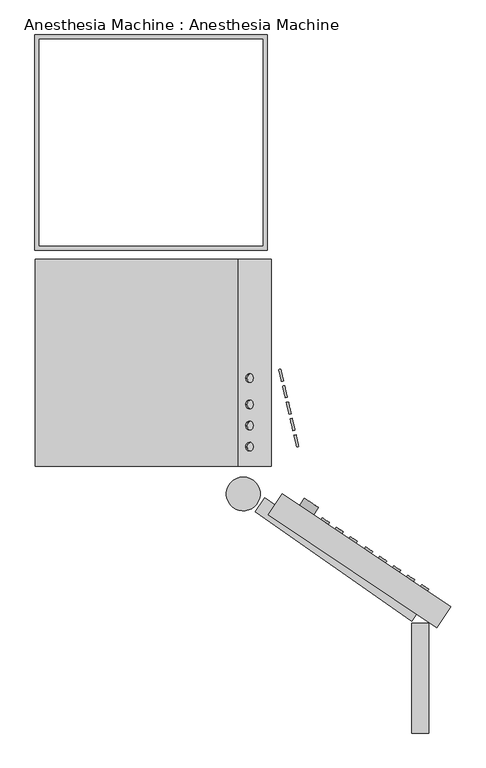
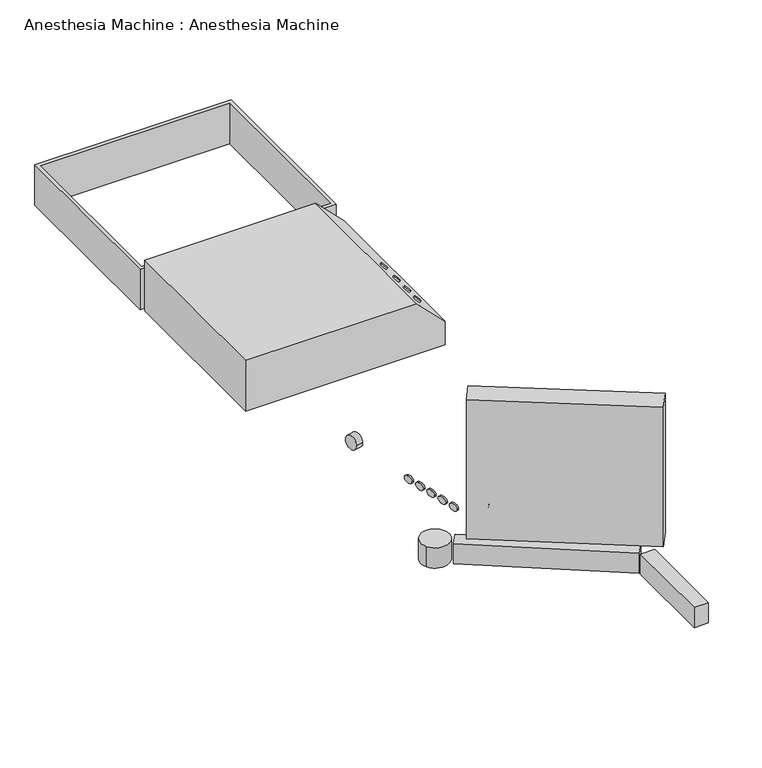
"""IFC4 building model written with IfcOpenShell, lengths in millimetres: proxy geometry, Anesthesia Machine : Anesthesia Machine."""

from ifc_helpers import new_model, si_unit, point, frame, frame_2d, origin, place, context, project, spatial, polyline, circle_curve, ellipse_curve, trimmed, segment, composite_curve, outline, extrude, faceted_brep, source, transform, mapped, element, save
from ifc_brep_helpers import plane_surface, extruded_surface, advanced_brep


def anesthesia_machine_anesthesia_machine_bb3bd52a(model_context):
    return source(origin(), model_context, "Body", "SolidModel", [
        extrude(outline(composite_curve([segment(trimmed(circle_curve(frame_2d((0.0, -6.3500001)), 6.35), [point((0.0, -12.7))], [point((0.0, 0.0))], False, "CARTESIAN"), True, "CONTINUOUS"), segment(trimmed(circle_curve(frame_2d((0.0, -6.3500001)), 6.35), [point((0.0, 0.0))], [point((0.0, -12.7))], False, "CARTESIAN"), True, "CONTINUOUS")], self_intersect=False)), frame((-492.8259, 395.664684, 1410.3143446), z_axis=(0.7071067811865489, 0.0, 0.7071067811865461), x_axis=(0.0, 1.0, 0.0)), (0.0, 0.0, 1.0), 3.175),
        extrude(outline(composite_curve([segment(trimmed(circle_curve(frame_2d((0.0, -6.3500001)), 6.35), [point((0.0, -12.7))], [point((0.0, 0.0))], False, "CARTESIAN"), True, "CONTINUOUS"), segment(trimmed(circle_curve(frame_2d((0.0, -6.3500001)), 6.35), [point((0.0, 0.0))], [point((0.0, -12.7))], False, "CARTESIAN"), True, "CONTINUOUS")], self_intersect=False)), frame((-492.8259, 355.977184, 1410.3143446), z_axis=(0.7071067811865489, 0.0, 0.7071067811865461), x_axis=(0.0, 1.0, 0.0)), (0.0, 0.0, 1.0), 3.175),
        extrude(outline(composite_curve([segment(trimmed(circle_curve(frame_2d((0.0, -6.3500001)), 6.35), [point((0.0, -12.7))], [point((0.0, 0.0))], False, "CARTESIAN"), True, "CONTINUOUS"), segment(trimmed(circle_curve(frame_2d((0.0, -6.3500001)), 6.35), [point((0.0, 0.0))], [point((0.0, -12.7))], False, "CARTESIAN"), True, "CONTINUOUS")], self_intersect=False)), frame((-492.8259, 324.227184, 1410.3143446), z_axis=(0.7071067811865489, 0.0, 0.7071067811865461), x_axis=(0.0, 1.0, 0.0)), (0.0, 0.0, 1.0), 3.175),
        extrude(outline(composite_curve([segment(trimmed(circle_curve(frame_2d((0.0, -6.3500001)), 6.35), [point((0.0, -12.7))], [point((0.0, 0.0))], False, "CARTESIAN"), True, "CONTINUOUS"), segment(trimmed(circle_curve(frame_2d((0.0, -6.3500001)), 6.35), [point((0.0, 0.0))], [point((0.0, -12.7))], False, "CARTESIAN"), True, "CONTINUOUS")], self_intersect=False)), frame((-492.8259, 292.477184, 1410.3143446), z_axis=(0.7071067811865489, 0.0, 0.7071067811865461), x_axis=(0.0, 1.0, 0.0)), (0.0, 0.0, 1.0), 3.175),
        extrude(outline(polyline([(-460.7866052, 588.1268185), (-810.0366052, 588.1268185), (-810.0366052, 911.9768185), (-460.7866052, 911.9768185), (-460.7866052, 588.1268185)]), holes=[polyline([(-803.6866052, 905.6268185), (-803.6866052, 594.4768185), (-467.1366052, 594.4768185), (-467.1366052, 905.6268185), (-803.6866052, 905.6268185)])]), frame((0.0, 0.0, 1320.8), z_axis=(0.0, 0.0, 1.0), x_axis=(1.0, 0.0, 0.0)), (0.0, 0.0, 1.0), 76.2),
        extrude(outline(polyline([(1327.15, -809.7115554), (1327.15, -454.1115554), (1371.6, -454.1115554), (1422.4, -504.9115554), (1422.4, -809.7115554), (1327.15, -809.7115554)])), frame((0.0, 263.4020606, 0.0), z_axis=(0.0, 1.0, 0.0), x_axis=(0.0, 0.0, 1.0)), (0.0, 0.0, 1.0), 311.15),
        advanced_brep(
        [(-440.0573534, 409.2628866, 986.6580249), (-436.0371685, 391.8495524, 986.6580249), (-443.1509784, 408.5486671, 986.6580249), (-439.1307934, 391.1353328, 986.6580249)],
        [
            (0, 1, ellipse_curve(frame((-438.0472609, 400.5562195, 986.6580249), z_axis=(0.9743700647852371, 0.22495105434385682, 0.0), x_axis=(0.22495105434385682, -0.9743700647852371, 0.0)), 8.9356882, 6.35)),
            (1, 0, ellipse_curve(frame((-438.0472609, 400.5562195, 986.6580249), z_axis=(0.9743700647852371, 0.22495105434385682, 0.0), x_axis=(0.22495105434385682, -0.9743700647852371, 0.0)), 8.9356882, 6.35)),
            (2, 3, ellipse_curve(frame((-441.1408859, 399.8419999, 986.6580249), z_axis=(-0.9743700647852371, -0.22495105434385682, 0.0), x_axis=(0.22495105434385682, -0.9743700647852371, 0.0)), 8.9356882, 6.35)),
            (3, 2, ellipse_curve(frame((-441.1408859, 399.8419999, 986.6580249), z_axis=(-0.9743700647852371, -0.22495105434385682, 0.0), x_axis=(0.22495105434385682, -0.9743700647852371, 0.0)), 8.9356882, 6.35)),
            (0, 2),
            (3, 1),
        ],
        [
            plane_surface(frame((-436.0371685, 391.8495524, 986.6580249), z_axis=(0.9743700647852382, 0.22495105434385224, 0.0), x_axis=(0.0, 0.0, -1.0))),
            plane_surface(frame((-439.1307934, 391.1353328, 986.6580249), z_axis=(-0.9743700647852382, -0.22495105434385224, 0.0), x_axis=(0.0, 0.0, 1.0))),
            extruded_surface(trimmed(ellipse_curve(frame((-444.2345109, 399.1277803, 986.6580249), z_axis=(0.9743700647852371, 0.22495105434385682, 0.0), x_axis=(0.22495105434385682, -0.9743700647852371, 0.0)), 8.9356882, 6.35), [point((-446.2446034, 407.8344475, 986.6580249))], [point((-442.2244184, 390.4211132, 986.6580249))], True, "CARTESIAN"), (3.0936249999999745, 0.7142196000000354, 0.0), 3.17500004372426),
            extruded_surface(trimmed(ellipse_curve(frame((-444.2345109, 399.1277803, 986.6580249), z_axis=(0.9743700647852371, 0.22495105434385682, 0.0), x_axis=(0.22495105434385682, -0.9743700647852371, 0.0)), 8.9356882, 6.35), [point((-442.2244184, 390.4211132, 986.6580249))], [point((-446.2446034, 407.8344475, 986.6580249))], True, "CARTESIAN"), (3.0936249999999745, 0.7142196000000354, 0.0), 3.17500004372426),
        ],
        [
            (0, [[1, 2]]),
            (1, [[3, 4]]),
            (2, [[-1, 5, -4, 6]]),
            (3, [[-2, -6, -3, -5]]),
        ],
    ),
        advanced_brep(
        [(-434.3435967, 384.513887, 986.6580249), (-430.3234117, 367.1005528, 986.6580249), (-437.4372216, 383.7996674, 986.6580249), (-433.4170366, 366.3863332, 986.6580249)],
        [
            (0, 1, ellipse_curve(frame((-432.3335042, 375.8072199, 986.6580249), z_axis=(0.9743700647852371, 0.22495105434385682, 0.0), x_axis=(0.22495105434385682, -0.9743700647852371, 0.0)), 8.9356882, 6.35)),
            (1, 0, ellipse_curve(frame((-432.3335042, 375.8072199, 986.6580249), z_axis=(0.9743700647852371, 0.22495105434385682, 0.0), x_axis=(0.22495105434385682, -0.9743700647852371, 0.0)), 8.9356882, 6.35)),
            (2, 3, ellipse_curve(frame((-435.4271291, 375.0930003, 986.6580249), z_axis=(-0.9743700647852371, -0.22495105434385682, 0.0), x_axis=(0.22495105434385682, -0.9743700647852371, 0.0)), 8.9356882, 6.35)),
            (3, 2, ellipse_curve(frame((-435.4271291, 375.0930003, 986.6580249), z_axis=(-0.9743700647852371, -0.22495105434385682, 0.0), x_axis=(0.22495105434385682, -0.9743700647852371, 0.0)), 8.9356882, 6.35)),
            (0, 2),
            (3, 1),
        ],
        [
            plane_surface(frame((-430.3234117, 367.1005528, 986.6580249), z_axis=(0.9743700647852382, 0.22495105434385224, 0.0), x_axis=(0.0, 0.0, -1.0))),
            plane_surface(frame((-433.4170366, 366.3863332, 986.6580249), z_axis=(-0.9743700647852382, -0.22495105434385224, 0.0), x_axis=(0.0, 0.0, 1.0))),
            extruded_surface(trimmed(ellipse_curve(frame((-438.5207541, 374.3787807, 986.6580249), z_axis=(0.9743700647852371, 0.22495105434385682, 0.0), x_axis=(0.22495105434385682, -0.9743700647852371, 0.0)), 8.9356882, 6.35), [point((-440.5308466, 383.0854478, 986.6580249))], [point((-436.5106616, 365.6721136, 986.6580249))], True, "CARTESIAN"), (3.0936249999999745, 0.7142196000000354, 0.0), 3.17500004372426),
            extruded_surface(trimmed(ellipse_curve(frame((-438.5207541, 374.3787807, 986.6580249), z_axis=(0.9743700647852371, 0.22495105434385682, 0.0), x_axis=(0.22495105434385682, -0.9743700647852371, 0.0)), 8.9356882, 6.35), [point((-436.5106616, 365.6721136, 986.6580249))], [point((-440.5308466, 383.0854478, 986.6580249))], True, "CARTESIAN"), (3.0936249999999745, 0.7142196000000354, 0.0), 3.17500004372426),
        ],
        [
            (0, [[1, 2]]),
            (1, [[3, 4]]),
            (2, [[-1, 5, -4, 6]]),
            (3, [[-2, -6, -3, -5]]),
        ],
    ),
        advanced_brep(
        [(-428.6298399, 359.7648874, 986.6580249), (-424.6096549, 342.3515531, 986.6580249), (-431.7234648, 359.0506678, 986.6580249), (-427.7032799, 341.6373335, 986.6580249)],
        [
            (0, 1, ellipse_curve(frame((-426.6197474, 351.0582202, 986.6580249), z_axis=(0.9743700647852371, 0.22495105434385682, 0.0), x_axis=(0.22495105434385682, -0.9743700647852371, 0.0)), 8.9356882, 6.35)),
            (1, 0, ellipse_curve(frame((-426.6197474, 351.0582202, 986.6580249), z_axis=(0.9743700647852371, 0.22495105434385682, 0.0), x_axis=(0.22495105434385682, -0.9743700647852371, 0.0)), 8.9356882, 6.35)),
            (2, 3, ellipse_curve(frame((-429.7133723, 350.3440006, 986.6580249), z_axis=(-0.9743700647852371, -0.22495105434385682, 0.0), x_axis=(0.22495105434385682, -0.9743700647852371, 0.0)), 8.9356882, 6.35)),
            (3, 2, ellipse_curve(frame((-429.7133723, 350.3440006, 986.6580249), z_axis=(-0.9743700647852371, -0.22495105434385682, 0.0), x_axis=(0.22495105434385682, -0.9743700647852371, 0.0)), 8.9356882, 6.35)),
            (0, 2),
            (3, 1),
        ],
        [
            plane_surface(frame((-424.6096549, 342.3515531, 986.6580249), z_axis=(0.9743700647852382, 0.22495105434385224, 0.0), x_axis=(0.0, 0.0, -1.0))),
            plane_surface(frame((-427.7032799, 341.6373335, 986.6580249), z_axis=(-0.9743700647852382, -0.22495105434385224, 0.0), x_axis=(0.0, 0.0, 1.0))),
            extruded_surface(trimmed(ellipse_curve(frame((-432.8069973, 349.629781, 986.6580249), z_axis=(0.9743700647852371, 0.22495105434385682, 0.0), x_axis=(0.22495105434385682, -0.9743700647852371, 0.0)), 8.9356882, 6.35), [point((-434.8170898, 358.3364482, 986.6580249))], [point((-430.7969048, 340.9231139, 986.6580249))], True, "CARTESIAN"), (3.0936249999999745, 0.7142196000000354, 0.0), 3.17500004372426),
            extruded_surface(trimmed(ellipse_curve(frame((-432.8069973, 349.629781, 986.6580249), z_axis=(0.9743700647852371, 0.22495105434385682, 0.0), x_axis=(0.22495105434385682, -0.9743700647852371, 0.0)), 8.9356882, 6.35), [point((-430.7969048, 340.9231139, 986.6580249))], [point((-434.8170898, 358.3364482, 986.6580249))], True, "CARTESIAN"), (3.0936249999999745, 0.7142196000000354, 0.0), 3.17500004372426),
        ],
        [
            (0, [[1, 2]]),
            (1, [[3, 4]]),
            (2, [[-1, 5, -4, 6]]),
            (3, [[-2, -6, -3, -5]]),
        ],
    ),
        advanced_brep(
        [(-422.9160831, 335.0158877, 986.6580249), (-418.8958981, 317.6025535, 986.6580249), (-426.0097081, 334.3016681, 986.6580249), (-421.9895231, 316.8883339, 986.6580249)],
        [
            (0, 1, ellipse_curve(frame((-420.9059906, 326.3092206, 986.6580249), z_axis=(0.9743700647852371, 0.22495105434385682, 0.0), x_axis=(0.22495105434385682, -0.9743700647852371, 0.0)), 8.9356882, 6.35)),
            (1, 0, ellipse_curve(frame((-420.9059906, 326.3092206, 986.6580249), z_axis=(0.9743700647852371, 0.22495105434385682, 0.0), x_axis=(0.22495105434385682, -0.9743700647852371, 0.0)), 8.9356882, 6.35)),
            (2, 3, ellipse_curve(frame((-423.9996156, 325.595001, 986.6580249), z_axis=(-0.9743700647852371, -0.22495105434385682, 0.0), x_axis=(0.22495105434385682, -0.9743700647852371, 0.0)), 8.9356882, 6.35)),
            (3, 2, ellipse_curve(frame((-423.9996156, 325.595001, 986.6580249), z_axis=(-0.9743700647852371, -0.22495105434385682, 0.0), x_axis=(0.22495105434385682, -0.9743700647852371, 0.0)), 8.9356882, 6.35)),
            (0, 2),
            (3, 1),
        ],
        [
            plane_surface(frame((-418.8958981, 317.6025535, 986.6580249), z_axis=(0.9743700647852382, 0.22495105434385224, 0.0), x_axis=(0.0, 0.0, -1.0))),
            plane_surface(frame((-421.9895231, 316.8883339, 986.6580249), z_axis=(-0.9743700647852382, -0.22495105434385224, 0.0), x_axis=(0.0, 0.0, 1.0))),
            extruded_surface(trimmed(ellipse_curve(frame((-427.0932405, 324.8807814, 986.6580249), z_axis=(0.9743700647852371, 0.22495105434385682, 0.0), x_axis=(0.22495105434385682, -0.9743700647852371, 0.0)), 8.9356882, 6.35), [point((-429.103333, 333.5874485, 986.6580249))], [point((-425.083148, 316.1741143, 986.6580249))], True, "CARTESIAN"), (3.093624899999952, 0.7142196000000354, 0.0), 3.174999946287232),
            extruded_surface(trimmed(ellipse_curve(frame((-427.0932405, 324.8807814, 986.6580249), z_axis=(0.9743700647852371, 0.22495105434385682, 0.0), x_axis=(0.22495105434385682, -0.9743700647852371, 0.0)), 8.9356882, 6.35), [point((-425.083148, 316.1741143, 986.6580249))], [point((-429.103333, 333.5874485, 986.6580249))], True, "CARTESIAN"), (3.093624899999952, 0.7142196000000354, 0.0), 3.174999946287232),
        ],
        [
            (0, [[1, 2]]),
            (1, [[3, 4]]),
            (2, [[-1, 5, -4, 6]]),
            (3, [[-2, -6, -3, -5]]),
        ],
    ),
        advanced_brep(
        [(-417.2023263, 310.2668881, 986.6580249), (-413.1821413, 292.8535538, 986.6580249), (-420.2959513, 309.5526685, 986.6580249), (-416.2757663, 292.1393342, 986.6580249)],
        [
            (0, 1, ellipse_curve(frame((-415.1922338, 301.5602209, 986.6580249), z_axis=(0.9743700647852371, 0.22495105434385682, 0.0), x_axis=(0.22495105434385682, -0.9743700647852371, 0.0)), 8.9356882, 6.35)),
            (1, 0, ellipse_curve(frame((-415.1922338, 301.5602209, 986.6580249), z_axis=(0.9743700647852371, 0.22495105434385682, 0.0), x_axis=(0.22495105434385682, -0.9743700647852371, 0.0)), 8.9356882, 6.35)),
            (2, 3, ellipse_curve(frame((-418.2858588, 300.8460013, 986.6580249), z_axis=(-0.9743700647852371, -0.22495105434385682, 0.0), x_axis=(0.22495105434385682, -0.9743700647852371, 0.0)), 8.9356882, 6.35)),
            (3, 2, ellipse_curve(frame((-418.2858588, 300.8460013, 986.6580249), z_axis=(-0.9743700647852371, -0.22495105434385682, 0.0), x_axis=(0.22495105434385682, -0.9743700647852371, 0.0)), 8.9356882, 6.35)),
            (0, 2),
            (3, 1),
        ],
        [
            plane_surface(frame((-413.1821413, 292.8535538, 986.6580249), z_axis=(0.9743700647852382, 0.22495105434385224, 0.0), x_axis=(0.0, 0.0, -1.0))),
            plane_surface(frame((-416.2757663, 292.1393342, 986.6580249), z_axis=(-0.9743700647852382, -0.22495105434385224, 0.0), x_axis=(0.0, 0.0, 1.0))),
            extruded_surface(trimmed(ellipse_curve(frame((-421.3794837, 300.1317817, 986.6580249), z_axis=(0.9743700647852371, 0.22495105434385682, 0.0), x_axis=(0.22495105434385682, -0.9743700647852371, 0.0)), 8.9356882, 6.35), [point((-423.3895762, 308.8384489, 986.6580249))], [point((-419.3693913, 291.4251146, 986.6580249))], True, "CARTESIAN"), (3.093624899999952, 0.7142196000000354, 0.0), 3.174999946287232),
            extruded_surface(trimmed(ellipse_curve(frame((-421.3794837, 300.1317817, 986.6580249), z_axis=(0.9743700647852371, 0.22495105434385682, 0.0), x_axis=(0.22495105434385682, -0.9743700647852371, 0.0)), 8.9356882, 6.35), [point((-419.3693913, 291.4251146, 986.6580249))], [point((-423.3895762, 308.8384489, 986.6580249))], True, "CARTESIAN"), (3.093624899999952, 0.7142196000000354, 0.0), 3.174999946287232),
        ],
        [
            (0, [[1, 2]]),
            (1, [[3, 4]]),
            (2, [[-1, 5, -4, 6]]),
            (3, [[-2, -6, -3, -5]]),
        ],
    ),
        advanced_brep(
        [(-377.8589432, 185.5530155, 1042.483848), (-367.3160937, 178.4721734, 1042.483848), (-379.6291538, 182.9173031, 1042.483848), (-369.0863043, 175.836461, 1042.483848)],
        [
            (0, 1, ellipse_curve(frame((-372.5875185, 182.0125944, 1042.483848), z_axis=(0.5575466201578646, 0.830145629603952, 0.0), x_axis=(0.830145629603952, -0.5575466201578646, 0.0)), 6.35, 4.5444636)),
            (1, 0, ellipse_curve(frame((-372.5875185, 182.0125944, 1042.483848), z_axis=(0.5575466201578646, 0.830145629603952, 0.0), x_axis=(0.830145629603952, -0.5575466201578646, 0.0)), 6.35, 4.5444636)),
            (2, 3, ellipse_curve(frame((-374.357729, 179.3768821, 1042.483848), z_axis=(-0.5575466201578646, -0.830145629603952, 0.0), x_axis=(0.830145629603952, -0.5575466201578646, 0.0)), 6.35, 4.5444636)),
            (3, 2, ellipse_curve(frame((-374.357729, 179.3768821, 1042.483848), z_axis=(-0.5575466201578646, -0.830145629603952, 0.0), x_axis=(0.830145629603952, -0.5575466201578646, 0.0)), 6.35, 4.5444636)),
            (0, 2),
            (3, 1),
        ],
        [
            plane_surface(frame((-367.3160937, 178.4721734, 1042.483848), z_axis=(0.5575466201578642, 0.8301456296039524, 0.0), x_axis=(0.0, 0.0, -1.0))),
            plane_surface(frame((-369.0863043, 175.836461, 1042.483848), z_axis=(-0.5575466201578642, -0.8301456296039524, 0.0), x_axis=(0.0, 0.0, 1.0))),
            extruded_surface(trimmed(ellipse_curve(frame((-376.1279395, 176.7411697, 1042.483848), z_axis=(0.5575466201578646, 0.830145629603952, 0.0), x_axis=(0.830145629603952, -0.5575466201578646, 0.0)), 6.35, 4.5444636), [point((-381.3993643, 180.2815907, 1042.483848))], [point((-370.8565148, 173.2007487, 1042.483848))], True, "CARTESIAN"), (1.7702105000000188, 2.6357123999999885, 0.0), 3.175000010995908),
            extruded_surface(trimmed(ellipse_curve(frame((-376.1279395, 176.7411697, 1042.483848), z_axis=(0.5575466201578646, 0.830145629603952, 0.0), x_axis=(0.830145629603952, -0.5575466201578646, 0.0)), 6.35, 4.5444636), [point((-370.8565148, 173.2007487, 1042.483848))], [point((-381.3993643, 180.2815907, 1042.483848))], True, "CARTESIAN"), (1.7702105000000188, 2.6357123999999885, 0.0), 3.175000010995908),
        ],
        [
            (0, [[1, 2]]),
            (1, [[3, 4]]),
            (2, [[-1, 5, -4, 6]]),
            (3, [[-2, -6, -3, -5]]),
        ],
    ),
        advanced_brep(
        [(-356.7732442, 171.3913313, 1029.783848), (-346.2303947, 164.3104892, 1029.783848), (-358.5434548, 168.755619, 1029.783848), (-348.0006053, 161.6747769, 1029.783848)],
        [
            (0, 1, ellipse_curve(frame((-351.5018195, 167.8509103, 1029.783848), z_axis=(0.5575466201578646, 0.830145629603952, 0.0), x_axis=(0.830145629603952, -0.5575466201578646, 0.0)), 6.35, 4.5444636)),
            (1, 0, ellipse_curve(frame((-351.5018195, 167.8509103, 1029.783848), z_axis=(0.5575466201578646, 0.830145629603952, 0.0), x_axis=(0.830145629603952, -0.5575466201578646, 0.0)), 6.35, 4.5444636)),
            (2, 3, ellipse_curve(frame((-353.27203, 165.2151979, 1029.783848), z_axis=(-0.5575466201578646, -0.830145629603952, 0.0), x_axis=(0.830145629603952, -0.5575466201578646, 0.0)), 6.35, 4.5444636)),
            (3, 2, ellipse_curve(frame((-353.27203, 165.2151979, 1029.783848), z_axis=(-0.5575466201578646, -0.830145629603952, 0.0), x_axis=(0.830145629603952, -0.5575466201578646, 0.0)), 6.35, 4.5444636)),
            (0, 2),
            (3, 1),
        ],
        [
            plane_surface(frame((-346.2303947, 164.3104892, 1029.783848), z_axis=(0.5575466201578642, 0.8301456296039524, 0.0), x_axis=(0.0, 0.0, -1.0))),
            plane_surface(frame((-348.0006053, 161.6747769, 1029.783848), z_axis=(-0.5575466201578642, -0.8301456296039524, 0.0), x_axis=(0.0, 0.0, 1.0))),
            extruded_surface(trimmed(ellipse_curve(frame((-355.0422405, 162.5794855, 1029.783848), z_axis=(0.5575466201578646, 0.830145629603952, 0.0), x_axis=(0.830145629603952, -0.5575466201578646, 0.0)), 6.35, 4.5444636), [point((-360.3136653, 166.1199066, 1029.783848))], [point((-349.7708158, 159.0390645, 1029.783848))], True, "CARTESIAN"), (1.7702105000000188, 2.6357123999999885, 0.0), 3.175000010995908),
            extruded_surface(trimmed(ellipse_curve(frame((-355.0422405, 162.5794855, 1029.783848), z_axis=(0.5575466201578646, 0.830145629603952, 0.0), x_axis=(0.830145629603952, -0.5575466201578646, 0.0)), 6.35, 4.5444636), [point((-349.7708158, 159.0390645, 1029.783848))], [point((-360.3136653, 166.1199066, 1029.783848))], True, "CARTESIAN"), (1.7702105000000188, 2.6357123999999885, 0.0), 3.175000010995908),
        ],
        [
            (0, [[1, 2]]),
            (1, [[3, 4]]),
            (2, [[-1, 5, -4, 6]]),
            (3, [[-2, -6, -3, -5]]),
        ],
    ),
        advanced_brep(
        [(-356.7732442, 171.3913313, 1042.483848), (-346.2303947, 164.3104892, 1042.483848), (-358.5434548, 168.755619, 1042.483848), (-348.0006053, 161.6747769, 1042.483848)],
        [
            (0, 1, ellipse_curve(frame((-351.5018195, 167.8509103, 1042.483848), z_axis=(0.5575466201578646, 0.830145629603952, 0.0), x_axis=(0.830145629603952, -0.5575466201578646, 0.0)), 6.35, 4.5444636)),
            (1, 0, ellipse_curve(frame((-351.5018195, 167.8509103, 1042.483848), z_axis=(0.5575466201578646, 0.830145629603952, 0.0), x_axis=(0.830145629603952, -0.5575466201578646, 0.0)), 6.35, 4.5444636)),
            (2, 3, ellipse_curve(frame((-353.27203, 165.2151979, 1042.483848), z_axis=(-0.5575466201578646, -0.830145629603952, 0.0), x_axis=(0.830145629603952, -0.5575466201578646, 0.0)), 6.35, 4.5444636)),
            (3, 2, ellipse_curve(frame((-353.27203, 165.2151979, 1042.483848), z_axis=(-0.5575466201578646, -0.830145629603952, 0.0), x_axis=(0.830145629603952, -0.5575466201578646, 0.0)), 6.35, 4.5444636)),
            (0, 2),
            (3, 1),
        ],
        [
            plane_surface(frame((-346.2303947, 164.3104892, 1042.483848), z_axis=(0.5575466201578642, 0.8301456296039524, 0.0), x_axis=(0.0, 0.0, -1.0))),
            plane_surface(frame((-348.0006053, 161.6747769, 1042.483848), z_axis=(-0.5575466201578642, -0.8301456296039524, 0.0), x_axis=(0.0, 0.0, 1.0))),
            extruded_surface(trimmed(ellipse_curve(frame((-355.0422405, 162.5794855, 1042.483848), z_axis=(0.5575466201578646, 0.830145629603952, 0.0), x_axis=(0.830145629603952, -0.5575466201578646, 0.0)), 6.35, 4.5444636), [point((-360.3136653, 166.1199066, 1042.483848))], [point((-349.7708158, 159.0390645, 1042.483848))], True, "CARTESIAN"), (1.7702105000000188, 2.6357123999999885, 0.0), 3.175000010995908),
            extruded_surface(trimmed(ellipse_curve(frame((-355.0422405, 162.5794855, 1042.483848), z_axis=(0.5575466201578646, 0.830145629603952, 0.0), x_axis=(0.830145629603952, -0.5575466201578646, 0.0)), 6.35, 4.5444636), [point((-349.7708158, 159.0390645, 1042.483848))], [point((-360.3136653, 166.1199066, 1042.483848))], True, "CARTESIAN"), (1.7702105000000188, 2.6357123999999885, 0.0), 3.175000010995908),
        ],
        [
            (0, [[1, 2]]),
            (1, [[3, 4]]),
            (2, [[-1, 5, -4, 6]]),
            (3, [[-2, -6, -3, -5]]),
        ],
    ),
        advanced_brep(
        [(-335.6875452, 157.2296472, 1029.783848), (-325.1446958, 150.1488051, 1029.783848), (-337.4577558, 154.5939348, 1029.783848), (-326.9149063, 147.5130927, 1029.783848)],
        [
            (0, 1, ellipse_curve(frame((-330.4161205, 153.6892261, 1029.783848), z_axis=(0.5575466201578646, 0.830145629603952, 0.0), x_axis=(0.830145629603952, -0.5575466201578646, 0.0)), 6.35, 4.5444636)),
            (1, 0, ellipse_curve(frame((-330.4161205, 153.6892261, 1029.783848), z_axis=(0.5575466201578646, 0.830145629603952, 0.0), x_axis=(0.830145629603952, -0.5575466201578646, 0.0)), 6.35, 4.5444636)),
            (2, 3, ellipse_curve(frame((-332.186331, 151.0535138, 1029.783848), z_axis=(-0.5575466201578646, -0.830145629603952, 0.0), x_axis=(0.830145629603952, -0.5575466201578646, 0.0)), 6.35, 4.5444636)),
            (3, 2, ellipse_curve(frame((-332.186331, 151.0535138, 1029.783848), z_axis=(-0.5575466201578646, -0.830145629603952, 0.0), x_axis=(0.830145629603952, -0.5575466201578646, 0.0)), 6.35, 4.5444636)),
            (0, 2),
            (3, 1),
        ],
        [
            plane_surface(frame((-325.1446958, 150.1488051, 1029.783848), z_axis=(0.5575466201578642, 0.8301456296039524, 0.0), x_axis=(0.0, 0.0, -1.0))),
            plane_surface(frame((-326.9149063, 147.5130927, 1029.783848), z_axis=(-0.5575466201578642, -0.8301456296039524, 0.0), x_axis=(0.0, 0.0, 1.0))),
            extruded_surface(trimmed(ellipse_curve(frame((-333.9565415, 148.4178014, 1029.783848), z_axis=(0.5575466201578646, 0.830145629603952, 0.0), x_axis=(0.830145629603952, -0.5575466201578646, 0.0)), 6.35, 4.5444636), [point((-339.2279663, 151.9582224, 1029.783848))], [point((-328.6851168, 144.8773803, 1029.783848))], True, "CARTESIAN"), (1.7702105000000188, 2.6357123999999885, 0.0), 3.175000010995908),
            extruded_surface(trimmed(ellipse_curve(frame((-333.9565415, 148.4178014, 1029.783848), z_axis=(0.5575466201578646, 0.830145629603952, 0.0), x_axis=(0.830145629603952, -0.5575466201578646, 0.0)), 6.35, 4.5444636), [point((-328.6851168, 144.8773803, 1029.783848))], [point((-339.2279663, 151.9582224, 1029.783848))], True, "CARTESIAN"), (1.7702105000000188, 2.6357123999999885, 0.0), 3.175000010995908),
        ],
        [
            (0, [[1, 2]]),
            (1, [[3, 4]]),
            (2, [[-1, 5, -4, 6]]),
            (3, [[-2, -6, -3, -5]]),
        ],
    ),
        advanced_brep(
        [(-335.6875452, 157.2296472, 1042.483848), (-325.1446958, 150.1488051, 1042.483848), (-337.4577558, 154.5939348, 1042.483848), (-326.9149063, 147.5130927, 1042.483848)],
        [
            (0, 1, ellipse_curve(frame((-330.4161205, 153.6892261, 1042.483848), z_axis=(0.5575466201578646, 0.830145629603952, 0.0), x_axis=(0.830145629603952, -0.5575466201578646, 0.0)), 6.35, 4.5444636)),
            (1, 0, ellipse_curve(frame((-330.4161205, 153.6892261, 1042.483848), z_axis=(0.5575466201578646, 0.830145629603952, 0.0), x_axis=(0.830145629603952, -0.5575466201578646, 0.0)), 6.35, 4.5444636)),
            (2, 3, ellipse_curve(frame((-332.186331, 151.0535138, 1042.483848), z_axis=(-0.5575466201578646, -0.830145629603952, 0.0), x_axis=(0.830145629603952, -0.5575466201578646, 0.0)), 6.35, 4.5444636)),
            (3, 2, ellipse_curve(frame((-332.186331, 151.0535138, 1042.483848), z_axis=(-0.5575466201578646, -0.830145629603952, 0.0), x_axis=(0.830145629603952, -0.5575466201578646, 0.0)), 6.35, 4.5444636)),
            (0, 2),
            (3, 1),
        ],
        [
            plane_surface(frame((-325.1446958, 150.1488051, 1042.483848), z_axis=(0.5575466201578642, 0.8301456296039524, 0.0), x_axis=(0.0, 0.0, -1.0))),
            plane_surface(frame((-326.9149063, 147.5130927, 1042.483848), z_axis=(-0.5575466201578642, -0.8301456296039524, 0.0), x_axis=(0.0, 0.0, 1.0))),
            extruded_surface(trimmed(ellipse_curve(frame((-333.9565415, 148.4178014, 1042.483848), z_axis=(0.5575466201578646, 0.830145629603952, 0.0), x_axis=(0.830145629603952, -0.5575466201578646, 0.0)), 6.35, 4.5444636), [point((-339.2279663, 151.9582224, 1042.483848))], [point((-328.6851168, 144.8773803, 1042.483848))], True, "CARTESIAN"), (1.7702105000000188, 2.6357123999999885, 0.0), 3.175000010995908),
            extruded_surface(trimmed(ellipse_curve(frame((-333.9565415, 148.4178014, 1042.483848), z_axis=(0.5575466201578646, 0.830145629603952, 0.0), x_axis=(0.830145629603952, -0.5575466201578646, 0.0)), 6.35, 4.5444636), [point((-328.6851168, 144.8773803, 1042.483848))], [point((-339.2279663, 151.9582224, 1042.483848))], True, "CARTESIAN"), (1.7702105000000188, 2.6357123999999885, 0.0), 3.175000010995908),
        ],
        [
            (0, [[1, 2]]),
            (1, [[3, 4]]),
            (2, [[-1, 5, -4, 6]]),
            (3, [[-2, -6, -3, -5]]),
        ],
    ),
        advanced_brep(
        [(-312.6087097, 141.7293226, 1029.783848), (-302.0658603, 134.6484805, 1029.783848), (-314.3789203, 139.0936102, 1029.783848), (-303.8360708, 132.0127681, 1029.783848)],
        [
            (0, 1, ellipse_curve(frame((-307.337285, 138.1889015, 1029.783848), z_axis=(0.5575466201578646, 0.830145629603952, 0.0), x_axis=(0.830145629603952, -0.5575466201578646, 0.0)), 6.35, 4.5444636)),
            (1, 0, ellipse_curve(frame((-307.337285, 138.1889015, 1029.783848), z_axis=(0.5575466201578646, 0.830145629603952, 0.0), x_axis=(0.830145629603952, -0.5575466201578646, 0.0)), 6.35, 4.5444636)),
            (2, 3, ellipse_curve(frame((-309.1074955, 135.5531892, 1029.783848), z_axis=(-0.5575466201578646, -0.830145629603952, 0.0), x_axis=(0.830145629603952, -0.5575466201578646, 0.0)), 6.35, 4.5444636)),
            (3, 2, ellipse_curve(frame((-309.1074955, 135.5531892, 1029.783848), z_axis=(-0.5575466201578646, -0.830145629603952, 0.0), x_axis=(0.830145629603952, -0.5575466201578646, 0.0)), 6.35, 4.5444636)),
            (0, 2),
            (3, 1),
        ],
        [
            plane_surface(frame((-302.0658603, 134.6484805, 1029.783848), z_axis=(0.5575466201578642, 0.8301456296039524, 0.0), x_axis=(0.0, 0.0, -1.0))),
            plane_surface(frame((-303.8360708, 132.0127681, 1029.783848), z_axis=(-0.5575466201578642, -0.8301456296039524, 0.0), x_axis=(0.0, 0.0, 1.0))),
            extruded_surface(trimmed(ellipse_curve(frame((-310.877706, 132.9174768, 1029.783848), z_axis=(0.5575466201578646, 0.830145629603952, 0.0), x_axis=(0.830145629603952, -0.5575466201578646, 0.0)), 6.35, 4.5444636), [point((-316.1491308, 136.4578978, 1029.783848))], [point((-305.6062813, 129.3770557, 1029.783848))], True, "CARTESIAN"), (1.770210499999962, 2.6357123999999885, 0.0), 3.1750000109958765),
            extruded_surface(trimmed(ellipse_curve(frame((-310.877706, 132.9174768, 1029.783848), z_axis=(0.5575466201578646, 0.830145629603952, 0.0), x_axis=(0.830145629603952, -0.5575466201578646, 0.0)), 6.35, 4.5444636), [point((-305.6062813, 129.3770557, 1029.783848))], [point((-316.1491308, 136.4578978, 1029.783848))], True, "CARTESIAN"), (1.770210499999962, 2.6357123999999885, 0.0), 3.1750000109958765),
        ],
        [
            (0, [[1, 2]]),
            (1, [[3, 4]]),
            (2, [[-1, 5, -4, 6]]),
            (3, [[-2, -6, -3, -5]]),
        ],
    ),
        advanced_brep(
        [(-312.6087097, 141.7293226, 1042.483848), (-302.0658603, 134.6484805, 1042.483848), (-314.3789203, 139.0936102, 1042.483848), (-303.8360708, 132.0127681, 1042.483848)],
        [
            (0, 1, ellipse_curve(frame((-307.337285, 138.1889015, 1042.483848), z_axis=(0.5575466201578646, 0.830145629603952, 0.0), x_axis=(0.830145629603952, -0.5575466201578646, 0.0)), 6.35, 4.5444636)),
            (1, 0, ellipse_curve(frame((-307.337285, 138.1889015, 1042.483848), z_axis=(0.5575466201578646, 0.830145629603952, 0.0), x_axis=(0.830145629603952, -0.5575466201578646, 0.0)), 6.35, 4.5444636)),
            (2, 3, ellipse_curve(frame((-309.1074955, 135.5531892, 1042.483848), z_axis=(-0.5575466201578646, -0.830145629603952, 0.0), x_axis=(0.830145629603952, -0.5575466201578646, 0.0)), 6.35, 4.5444636)),
            (3, 2, ellipse_curve(frame((-309.1074955, 135.5531892, 1042.483848), z_axis=(-0.5575466201578646, -0.830145629603952, 0.0), x_axis=(0.830145629603952, -0.5575466201578646, 0.0)), 6.35, 4.5444636)),
            (0, 2),
            (3, 1),
        ],
        [
            plane_surface(frame((-302.0658603, 134.6484805, 1042.483848), z_axis=(0.5575466201578642, 0.8301456296039524, 0.0), x_axis=(0.0, 0.0, -1.0))),
            plane_surface(frame((-303.8360708, 132.0127681, 1042.483848), z_axis=(-0.5575466201578642, -0.8301456296039524, 0.0), x_axis=(0.0, 0.0, 1.0))),
            extruded_surface(trimmed(ellipse_curve(frame((-310.877706, 132.9174768, 1042.483848), z_axis=(0.5575466201578646, 0.830145629603952, 0.0), x_axis=(0.830145629603952, -0.5575466201578646, 0.0)), 6.35, 4.5444636), [point((-316.1491308, 136.4578978, 1042.483848))], [point((-305.6062813, 129.3770557, 1042.483848))], True, "CARTESIAN"), (1.770210499999962, 2.6357123999999885, 0.0), 3.1750000109958765),
            extruded_surface(trimmed(ellipse_curve(frame((-310.877706, 132.9174768, 1042.483848), z_axis=(0.5575466201578646, 0.830145629603952, 0.0), x_axis=(0.830145629603952, -0.5575466201578646, 0.0)), 6.35, 4.5444636), [point((-305.6062813, 129.3770557, 1042.483848))], [point((-316.1491308, 136.4578978, 1042.483848))], True, "CARTESIAN"), (1.770210499999962, 2.6357123999999885, 0.0), 3.1750000109958765),
        ],
        [
            (0, [[1, 2]]),
            (1, [[3, 4]]),
            (2, [[-1, 5, -4, 6]]),
            (3, [[-2, -6, -3, -5]]),
        ],
    ),
        advanced_brep(
        [(-291.5230108, 127.5676384, 1029.783848), (-280.9801613, 120.4867963, 1029.783848), (-293.2932213, 124.931926, 1029.783848), (-282.7503718, 117.851084, 1029.783848)],
        [
            (0, 1, ellipse_curve(frame((-286.251586, 124.0272174, 1029.783848), z_axis=(0.5575466201578646, 0.830145629603952, 0.0), x_axis=(0.830145629603952, -0.5575466201578646, 0.0)), 6.35, 4.5444636)),
            (1, 0, ellipse_curve(frame((-286.251586, 124.0272174, 1029.783848), z_axis=(0.5575466201578646, 0.830145629603952, 0.0), x_axis=(0.830145629603952, -0.5575466201578646, 0.0)), 6.35, 4.5444636)),
            (2, 3, ellipse_curve(frame((-288.0217965, 121.391505, 1029.783848), z_axis=(-0.5575466201578646, -0.830145629603952, 0.0), x_axis=(0.830145629603952, -0.5575466201578646, 0.0)), 6.35, 4.5444636)),
            (3, 2, ellipse_curve(frame((-288.0217965, 121.391505, 1029.783848), z_axis=(-0.5575466201578646, -0.830145629603952, 0.0), x_axis=(0.830145629603952, -0.5575466201578646, 0.0)), 6.35, 4.5444636)),
            (0, 2),
            (3, 1),
        ],
        [
            plane_surface(frame((-280.9801613, 120.4867963, 1029.783848), z_axis=(0.5575466201578642, 0.8301456296039524, 0.0), x_axis=(0.0, 0.0, -1.0))),
            plane_surface(frame((-282.7503718, 117.851084, 1029.783848), z_axis=(-0.5575466201578642, -0.8301456296039524, 0.0), x_axis=(0.0, 0.0, 1.0))),
            extruded_surface(trimmed(ellipse_curve(frame((-289.792007, 118.7557926, 1029.783848), z_axis=(0.5575466201578646, 0.830145629603952, 0.0), x_axis=(0.830145629603952, -0.5575466201578646, 0.0)), 6.35, 4.5444636), [point((-295.0634318, 122.2962137, 1029.783848))], [point((-284.5205823, 115.2153716, 1029.783848))], True, "CARTESIAN"), (1.7702105000000188, 2.6357123999999885, 0.0), 3.175000010995908),
            extruded_surface(trimmed(ellipse_curve(frame((-289.792007, 118.7557926, 1029.783848), z_axis=(0.5575466201578646, 0.830145629603952, 0.0), x_axis=(0.830145629603952, -0.5575466201578646, 0.0)), 6.35, 4.5444636), [point((-284.5205823, 115.2153716, 1029.783848))], [point((-295.0634318, 122.2962137, 1029.783848))], True, "CARTESIAN"), (1.7702105000000188, 2.6357123999999885, 0.0), 3.175000010995908),
        ],
        [
            (0, [[1, 2]]),
            (1, [[3, 4]]),
            (2, [[-1, 5, -4, 6]]),
            (3, [[-2, -6, -3, -5]]),
        ],
    ),
        advanced_brep(
        [(-291.5230108, 127.5676384, 1042.483848), (-280.9801613, 120.4867963, 1042.483848), (-293.2932213, 124.931926, 1042.483848), (-282.7503718, 117.851084, 1042.483848)],
        [
            (0, 1, ellipse_curve(frame((-286.251586, 124.0272174, 1042.483848), z_axis=(0.5575466201578646, 0.830145629603952, 0.0), x_axis=(0.830145629603952, -0.5575466201578646, 0.0)), 6.35, 4.5444636)),
            (1, 0, ellipse_curve(frame((-286.251586, 124.0272174, 1042.483848), z_axis=(0.5575466201578646, 0.830145629603952, 0.0), x_axis=(0.830145629603952, -0.5575466201578646, 0.0)), 6.35, 4.5444636)),
            (2, 3, ellipse_curve(frame((-288.0217965, 121.391505, 1042.483848), z_axis=(-0.5575466201578646, -0.830145629603952, 0.0), x_axis=(0.830145629603952, -0.5575466201578646, 0.0)), 6.35, 4.5444636)),
            (3, 2, ellipse_curve(frame((-288.0217965, 121.391505, 1042.483848), z_axis=(-0.5575466201578646, -0.830145629603952, 0.0), x_axis=(0.830145629603952, -0.5575466201578646, 0.0)), 6.35, 4.5444636)),
            (0, 2),
            (3, 1),
        ],
        [
            plane_surface(frame((-280.9801613, 120.4867963, 1042.483848), z_axis=(0.5575466201578642, 0.8301456296039524, 0.0), x_axis=(0.0, 0.0, -1.0))),
            plane_surface(frame((-282.7503718, 117.851084, 1042.483848), z_axis=(-0.5575466201578642, -0.8301456296039524, 0.0), x_axis=(0.0, 0.0, 1.0))),
            extruded_surface(trimmed(ellipse_curve(frame((-289.792007, 118.7557926, 1042.483848), z_axis=(0.5575466201578646, 0.830145629603952, 0.0), x_axis=(0.830145629603952, -0.5575466201578646, 0.0)), 6.35, 4.5444636), [point((-295.0634318, 122.2962137, 1042.483848))], [point((-284.5205823, 115.2153716, 1042.483848))], True, "CARTESIAN"), (1.7702105000000188, 2.6357123999999885, 0.0), 3.175000010995908),
            extruded_surface(trimmed(ellipse_curve(frame((-289.792007, 118.7557926, 1042.483848), z_axis=(0.5575466201578646, 0.830145629603952, 0.0), x_axis=(0.830145629603952, -0.5575466201578646, 0.0)), 6.35, 4.5444636), [point((-284.5205823, 115.2153716, 1042.483848))], [point((-295.0634318, 122.2962137, 1042.483848))], True, "CARTESIAN"), (1.7702105000000188, 2.6357123999999885, 0.0), 3.175000010995908),
        ],
        [
            (0, [[1, 2]]),
            (1, [[3, 4]]),
            (2, [[-1, 5, -4, 6]]),
            (3, [[-2, -6, -3, -5]]),
        ],
    ),
        advanced_brep(
        [(-270.4373118, 113.4059543, 1029.783848), (-259.8944623, 106.3251122, 1029.783848), (-272.2075223, 110.7702419, 1029.783848), (-261.6646728, 103.6893998, 1029.783848)],
        [
            (0, 1, ellipse_curve(frame((-265.165887, 109.8655332, 1029.783848), z_axis=(0.5575466201578646, 0.830145629603952, 0.0), x_axis=(0.830145629603952, -0.5575466201578646, 0.0)), 6.35, 4.5444636)),
            (1, 0, ellipse_curve(frame((-265.165887, 109.8655332, 1029.783848), z_axis=(0.5575466201578646, 0.830145629603952, 0.0), x_axis=(0.830145629603952, -0.5575466201578646, 0.0)), 6.35, 4.5444636)),
            (2, 3, ellipse_curve(frame((-266.9360975, 107.2298209, 1029.783848), z_axis=(-0.5575466201578646, -0.830145629603952, 0.0), x_axis=(0.830145629603952, -0.5575466201578646, 0.0)), 6.35, 4.5444636)),
            (3, 2, ellipse_curve(frame((-266.9360975, 107.2298209, 1029.783848), z_axis=(-0.5575466201578646, -0.830145629603952, 0.0), x_axis=(0.830145629603952, -0.5575466201578646, 0.0)), 6.35, 4.5444636)),
            (0, 2),
            (3, 1),
        ],
        [
            plane_surface(frame((-259.8944623, 106.3251122, 1029.783848), z_axis=(0.5575466201578642, 0.8301456296039524, 0.0), x_axis=(0.0, 0.0, -1.0))),
            plane_surface(frame((-261.6646728, 103.6893998, 1029.783848), z_axis=(-0.5575466201578642, -0.8301456296039524, 0.0), x_axis=(0.0, 0.0, 1.0))),
            extruded_surface(trimmed(ellipse_curve(frame((-268.7063081, 104.5941085, 1029.783848), z_axis=(0.5575466201578646, 0.830145629603952, 0.0), x_axis=(0.830145629603952, -0.5575466201578646, 0.0)), 6.35, 4.5444636), [point((-273.9777328, 108.1345295, 1029.783848))], [point((-263.4348833, 101.0536874, 1029.783848))], True, "CARTESIAN"), (1.7702105999999844, 2.6357124000000027, 0.0), 3.175000066750563),
            extruded_surface(trimmed(ellipse_curve(frame((-268.7063081, 104.5941085, 1029.783848), z_axis=(0.5575466201578646, 0.830145629603952, 0.0), x_axis=(0.830145629603952, -0.5575466201578646, 0.0)), 6.35, 4.5444636), [point((-263.4348833, 101.0536874, 1029.783848))], [point((-273.9777328, 108.1345295, 1029.783848))], True, "CARTESIAN"), (1.7702105999999844, 2.6357124000000027, 0.0), 3.175000066750563),
        ],
        [
            (0, [[1, 2]]),
            (1, [[3, 4]]),
            (2, [[-1, 5, -4, 6]]),
            (3, [[-2, -6, -3, -5]]),
        ],
    ),
        advanced_brep(
        [(-270.4373118, 113.4059543, 1042.483848), (-259.8944623, 106.3251122, 1042.483848), (-272.2075223, 110.7702419, 1042.483848), (-261.6646728, 103.6893998, 1042.483848)],
        [
            (0, 1, ellipse_curve(frame((-265.165887, 109.8655332, 1042.483848), z_axis=(0.5575466201578646, 0.830145629603952, 0.0), x_axis=(0.830145629603952, -0.5575466201578646, 0.0)), 6.35, 4.5444636)),
            (1, 0, ellipse_curve(frame((-265.165887, 109.8655332, 1042.483848), z_axis=(0.5575466201578646, 0.830145629603952, 0.0), x_axis=(0.830145629603952, -0.5575466201578646, 0.0)), 6.35, 4.5444636)),
            (2, 3, ellipse_curve(frame((-266.9360975, 107.2298209, 1042.483848), z_axis=(-0.5575466201578646, -0.830145629603952, 0.0), x_axis=(0.830145629603952, -0.5575466201578646, 0.0)), 6.35, 4.5444636)),
            (3, 2, ellipse_curve(frame((-266.9360975, 107.2298209, 1042.483848), z_axis=(-0.5575466201578646, -0.830145629603952, 0.0), x_axis=(0.830145629603952, -0.5575466201578646, 0.0)), 6.35, 4.5444636)),
            (0, 2),
            (3, 1),
        ],
        [
            plane_surface(frame((-259.8944623, 106.3251122, 1042.483848), z_axis=(0.5575466201578642, 0.8301456296039524, 0.0), x_axis=(0.0, 0.0, -1.0))),
            plane_surface(frame((-261.6646728, 103.6893998, 1042.483848), z_axis=(-0.5575466201578642, -0.8301456296039524, 0.0), x_axis=(0.0, 0.0, 1.0))),
            extruded_surface(trimmed(ellipse_curve(frame((-268.7063081, 104.5941085, 1042.483848), z_axis=(0.5575466201578646, 0.830145629603952, 0.0), x_axis=(0.830145629603952, -0.5575466201578646, 0.0)), 6.35, 4.5444636), [point((-273.9777328, 108.1345295, 1042.483848))], [point((-263.4348833, 101.0536874, 1042.483848))], True, "CARTESIAN"), (1.7702105999999844, 2.6357124000000027, 0.0), 3.175000066750563),
            extruded_surface(trimmed(ellipse_curve(frame((-268.7063081, 104.5941085, 1042.483848), z_axis=(0.5575466201578646, 0.830145629603952, 0.0), x_axis=(0.830145629603952, -0.5575466201578646, 0.0)), 6.35, 4.5444636), [point((-263.4348833, 101.0536874, 1042.483848))], [point((-273.9777328, 108.1345295, 1042.483848))], True, "CARTESIAN"), (1.7702105999999844, 2.6357124000000027, 0.0), 3.175000066750563),
        ],
        [
            (0, [[1, 2]]),
            (1, [[3, 4]]),
            (2, [[-1, 5, -4, 6]]),
            (3, [[-2, -6, -3, -5]]),
        ],
    ),
        advanced_brep(
        [(-249.3516128, 99.2442701, 1029.783848), (-238.8087633, 92.163428, 1029.783848), (-251.1218233, 96.6085577, 1029.783848), (-240.5789738, 89.5277157, 1029.783848)],
        [
            (0, 1, ellipse_curve(frame((-244.080188, 95.7038491, 1029.783848), z_axis=(0.5575466201578646, 0.830145629603952, 0.0), x_axis=(0.830145629603952, -0.5575466201578646, 0.0)), 6.35, 4.5444636)),
            (1, 0, ellipse_curve(frame((-244.080188, 95.7038491, 1029.783848), z_axis=(0.5575466201578646, 0.830145629603952, 0.0), x_axis=(0.830145629603952, -0.5575466201578646, 0.0)), 6.35, 4.5444636)),
            (2, 3, ellipse_curve(frame((-245.8503985, 93.0681367, 1029.783848), z_axis=(-0.5575466201578646, -0.830145629603952, 0.0), x_axis=(0.830145629603952, -0.5575466201578646, 0.0)), 6.35, 4.5444636)),
            (3, 2, ellipse_curve(frame((-245.8503985, 93.0681367, 1029.783848), z_axis=(-0.5575466201578646, -0.830145629603952, 0.0), x_axis=(0.830145629603952, -0.5575466201578646, 0.0)), 6.35, 4.5444636)),
            (0, 2),
            (3, 1),
        ],
        [
            plane_surface(frame((-238.8087633, 92.163428, 1029.783848), z_axis=(0.5575466201578642, 0.8301456296039524, 0.0), x_axis=(0.0, 0.0, -1.0))),
            plane_surface(frame((-240.5789738, 89.5277157, 1029.783848), z_axis=(-0.5575466201578642, -0.8301456296039524, 0.0), x_axis=(0.0, 0.0, 1.0))),
            extruded_surface(trimmed(ellipse_curve(frame((-247.6206091, 90.4324243, 1029.783848), z_axis=(0.5575466201578646, 0.830145629603952, 0.0), x_axis=(0.830145629603952, -0.5575466201578646, 0.0)), 6.35, 4.5444636), [point((-252.8920338, 93.9728454, 1029.783848))], [point((-242.3491843, 86.8920033, 1029.783848))], True, "CARTESIAN"), (1.7702105999999844, 2.6357124000000027, 0.0), 3.175000066750563),
            extruded_surface(trimmed(ellipse_curve(frame((-247.6206091, 90.4324243, 1029.783848), z_axis=(0.5575466201578646, 0.830145629603952, 0.0), x_axis=(0.830145629603952, -0.5575466201578646, 0.0)), 6.35, 4.5444636), [point((-242.3491843, 86.8920033, 1029.783848))], [point((-252.8920338, 93.9728454, 1029.783848))], True, "CARTESIAN"), (1.7702105999999844, 2.6357124000000027, 0.0), 3.175000066750563),
        ],
        [
            (0, [[1, 2]]),
            (1, [[3, 4]]),
            (2, [[-1, 5, -4, 6]]),
            (3, [[-2, -6, -3, -5]]),
        ],
    ),
        advanced_brep(
        [(-249.3516128, 99.2442701, 1042.483848), (-238.8087633, 92.163428, 1042.483848), (-251.1218233, 96.6085577, 1042.483848), (-240.5789738, 89.5277157, 1042.483848)],
        [
            (0, 1, ellipse_curve(frame((-244.080188, 95.7038491, 1042.483848), z_axis=(0.5575466201578646, 0.830145629603952, 0.0), x_axis=(0.830145629603952, -0.5575466201578646, 0.0)), 6.35, 4.5444636)),
            (1, 0, ellipse_curve(frame((-244.080188, 95.7038491, 1042.483848), z_axis=(0.5575466201578646, 0.830145629603952, 0.0), x_axis=(0.830145629603952, -0.5575466201578646, 0.0)), 6.35, 4.5444636)),
            (2, 3, ellipse_curve(frame((-245.8503985, 93.0681367, 1042.483848), z_axis=(-0.5575466201578646, -0.830145629603952, 0.0), x_axis=(0.830145629603952, -0.5575466201578646, 0.0)), 6.35, 4.5444636)),
            (3, 2, ellipse_curve(frame((-245.8503985, 93.0681367, 1042.483848), z_axis=(-0.5575466201578646, -0.830145629603952, 0.0), x_axis=(0.830145629603952, -0.5575466201578646, 0.0)), 6.35, 4.5444636)),
            (0, 2),
            (3, 1),
        ],
        [
            plane_surface(frame((-238.8087633, 92.163428, 1042.483848), z_axis=(0.5575466201578642, 0.8301456296039524, 0.0), x_axis=(0.0, 0.0, -1.0))),
            plane_surface(frame((-240.5789738, 89.5277157, 1042.483848), z_axis=(-0.5575466201578642, -0.8301456296039524, 0.0), x_axis=(0.0, 0.0, 1.0))),
            extruded_surface(trimmed(ellipse_curve(frame((-247.6206091, 90.4324243, 1042.483848), z_axis=(0.5575466201578646, 0.830145629603952, 0.0), x_axis=(0.830145629603952, -0.5575466201578646, 0.0)), 6.35, 4.5444636), [point((-252.8920338, 93.9728454, 1042.483848))], [point((-242.3491843, 86.8920033, 1042.483848))], True, "CARTESIAN"), (1.7702105999999844, 2.6357124000000027, 0.0), 3.175000066750563),
            extruded_surface(trimmed(ellipse_curve(frame((-247.6206091, 90.4324243, 1042.483848), z_axis=(0.5575466201578646, 0.830145629603952, 0.0), x_axis=(0.830145629603952, -0.5575466201578646, 0.0)), 6.35, 4.5444636), [point((-242.3491843, 86.8920033, 1042.483848))], [point((-252.8920338, 93.9728454, 1042.483848))], True, "CARTESIAN"), (1.7702105999999844, 2.6357124000000027, 0.0), 3.175000066750563),
        ],
        [
            (0, [[1, 2]]),
            (1, [[3, 4]]),
            (2, [[-1, 5, -4, 6]]),
            (3, [[-2, -6, -3, -5]]),
        ],
    ),
        advanced_brep(
        [(-228.2659138, 85.082586, 1029.783848), (-217.7230643, 78.0017439, 1029.783848), (-230.0361243, 82.4468736, 1029.783848), (-219.4932748, 75.3660315, 1029.783848)],
        [
            (0, 1, ellipse_curve(frame((-222.994489, 81.5421649, 1029.783848), z_axis=(0.5575466201578646, 0.830145629603952, 0.0), x_axis=(0.830145629603952, -0.5575466201578646, 0.0)), 6.35, 4.5444636)),
            (1, 0, ellipse_curve(frame((-222.994489, 81.5421649, 1029.783848), z_axis=(0.5575466201578646, 0.830145629603952, 0.0), x_axis=(0.830145629603952, -0.5575466201578646, 0.0)), 6.35, 4.5444636)),
            (2, 3, ellipse_curve(frame((-224.7646996, 78.9064525, 1029.783848), z_axis=(-0.5575466201578646, -0.830145629603952, 0.0), x_axis=(0.830145629603952, -0.5575466201578646, 0.0)), 6.35, 4.5444636)),
            (3, 2, ellipse_curve(frame((-224.7646996, 78.9064525, 1029.783848), z_axis=(-0.5575466201578646, -0.830145629603952, 0.0), x_axis=(0.830145629603952, -0.5575466201578646, 0.0)), 6.35, 4.5444636)),
            (0, 2),
            (3, 1),
        ],
        [
            plane_surface(frame((-217.7230643, 78.0017439, 1029.783848), z_axis=(0.5575466201578642, 0.8301456296039524, 0.0), x_axis=(0.0, 0.0, -1.0))),
            plane_surface(frame((-219.4932748, 75.3660315, 1029.783848), z_axis=(-0.5575466201578642, -0.8301456296039524, 0.0), x_axis=(0.0, 0.0, 1.0))),
            extruded_surface(trimmed(ellipse_curve(frame((-226.5349101, 76.2707402, 1029.783848), z_axis=(0.5575466201578646, 0.830145629603952, 0.0), x_axis=(0.830145629603952, -0.5575466201578646, 0.0)), 6.35, 4.5444636), [point((-231.8063348, 79.8111612, 1029.783848))], [point((-221.2634853, 72.7303191, 1029.783848))], True, "CARTESIAN"), (1.7702104999999904, 2.6357122999999945, 0.0), 3.174999927981334),
            extruded_surface(trimmed(ellipse_curve(frame((-226.5349101, 76.2707402, 1029.783848), z_axis=(0.5575466201578646, 0.830145629603952, 0.0), x_axis=(0.830145629603952, -0.5575466201578646, 0.0)), 6.35, 4.5444636), [point((-221.2634853, 72.7303191, 1029.783848))], [point((-231.8063348, 79.8111612, 1029.783848))], True, "CARTESIAN"), (1.7702104999999904, 2.6357122999999945, 0.0), 3.174999927981334),
        ],
        [
            (0, [[1, 2]]),
            (1, [[3, 4]]),
            (2, [[-1, 5, -4, 6]]),
            (3, [[-2, -6, -3, -5]]),
        ],
    ),
        advanced_brep(
        [(-228.2659138, 85.082586, 1042.483848), (-217.7230643, 78.0017439, 1042.483848), (-230.0361243, 82.4468736, 1042.483848), (-219.4932748, 75.3660315, 1042.483848)],
        [
            (0, 1, ellipse_curve(frame((-222.994489, 81.5421649, 1042.483848), z_axis=(0.5575466201578646, 0.830145629603952, 0.0), x_axis=(0.830145629603952, -0.5575466201578646, 0.0)), 6.35, 4.5444636)),
            (1, 0, ellipse_curve(frame((-222.994489, 81.5421649, 1042.483848), z_axis=(0.5575466201578646, 0.830145629603952, 0.0), x_axis=(0.830145629603952, -0.5575466201578646, 0.0)), 6.35, 4.5444636)),
            (2, 3, ellipse_curve(frame((-224.7646996, 78.9064525, 1042.483848), z_axis=(-0.5575466201578646, -0.830145629603952, 0.0), x_axis=(0.830145629603952, -0.5575466201578646, 0.0)), 6.35, 4.5444636)),
            (3, 2, ellipse_curve(frame((-224.7646996, 78.9064525, 1042.483848), z_axis=(-0.5575466201578646, -0.830145629603952, 0.0), x_axis=(0.830145629603952, -0.5575466201578646, 0.0)), 6.35, 4.5444636)),
            (0, 2),
            (3, 1),
        ],
        [
            plane_surface(frame((-217.7230643, 78.0017439, 1042.483848), z_axis=(0.5575466201578642, 0.8301456296039524, 0.0), x_axis=(0.0, 0.0, -1.0))),
            plane_surface(frame((-219.4932748, 75.3660315, 1042.483848), z_axis=(-0.5575466201578642, -0.8301456296039524, 0.0), x_axis=(0.0, 0.0, 1.0))),
            extruded_surface(trimmed(ellipse_curve(frame((-226.5349101, 76.2707402, 1042.483848), z_axis=(0.5575466201578646, 0.830145629603952, 0.0), x_axis=(0.830145629603952, -0.5575466201578646, 0.0)), 6.35, 4.5444636), [point((-231.8063348, 79.8111612, 1042.483848))], [point((-221.2634853, 72.7303191, 1042.483848))], True, "CARTESIAN"), (1.7702104999999904, 2.6357122999999945, 0.0), 3.174999927981334),
            extruded_surface(trimmed(ellipse_curve(frame((-226.5349101, 76.2707402, 1042.483848), z_axis=(0.5575466201578646, 0.830145629603952, 0.0), x_axis=(0.830145629603952, -0.5575466201578646, 0.0)), 6.35, 4.5444636), [point((-221.2634853, 72.7303191, 1042.483848))], [point((-231.8063348, 79.8111612, 1042.483848))], True, "CARTESIAN"), (1.7702104999999904, 2.6357122999999945, 0.0), 3.174999927981334),
        ],
        [
            (0, [[1, 2]]),
            (1, [[3, 4]]),
            (2, [[-1, 5, -4, 6]]),
            (3, [[-2, -6, -3, -5]]),
        ],
    ),
        extrude(outline(composite_curve([segment(trimmed(circle_curve(frame_2d((0.0, -12.7)), 12.7), [point((0.0, -25.4))], [point((0.0, 0.0))], False, "CARTESIAN"), True, "CONTINUOUS"), segment(trimmed(circle_curve(frame_2d((0.0, -12.7)), 12.7), [point((0.0, 0.0))], [point((0.0, -25.4))], False, "CARTESIAN"), True, "CONTINUOUS")], self_intersect=False)), frame((-411.8641413, 204.567129, 1037.1963282), z_axis=(0.5575466201578642, 0.8301456296039524, 0.0), x_axis=(0.0, 0.0, -1.0)), (0.0, 0.0, 1.0), 12.7),
        faceted_brep([(-458.8170003, 190.2062847, 1270.0), (-205.7886124, 20.2660749, 1270.0), (-184.5460862, 51.8946234, 1270.0), (-437.5744741, 221.8348332, 1270.0), (-458.8170003, 190.2062847, 1008.3883807), (-437.5744741, 221.8348332, 1008.3883807), (-184.5460862, 51.8946234, 1008.3883807), (-205.7886124, 20.2660749, 1008.3883807), (-421.7601999, 211.2135701, 1250.95), (-421.7601999, 211.2135701, 1071.8883807), (-200.3603604, 62.5158865, 1071.8883807), (-200.3603604, 62.5158865, 1250.95), (-425.3006209, 205.9421453, 1250.95), (-203.9007815, 57.2444617, 1250.95), (-203.9007815, 57.2444617, 1071.8883807), (-425.3006209, 205.9421453, 1071.8883807)], [[[0, 1, 2, 3]], [[4, 5, 6, 7]], [[1, 0, 4, 7]], [[2, 1, 7, 6]], [[3, 2, 6, 5], [8, 9, 10, 11]], [[0, 3, 5, 4]], [[12, 13, 14, 15]], [[12, 15, 9, 8]], [[15, 14, 10, 9]], [[14, 13, 11, 10]], [[13, 12, 8, 11]]]),
        extrude(outline(composite_curve([segment(trimmed(circle_curve(frame_2d((-496.5712356, 221.4675038)), 25.4), [point((-518.5682809, 208.7675038))], [point((-474.5741904, 234.1675038))], False, "CARTESIAN"), True, "CONTINUOUS"), segment(trimmed(circle_curve(frame_2d((-496.5712356, 221.4675038)), 25.4), [point((-474.5741904, 234.1675038))], [point((-518.5682809, 208.7675038))], False, "CARTESIAN"), True, "CONTINUOUS")], self_intersect=False)), frame((0.0, 0.0, 965.2), z_axis=(0.0, 0.0, 1.0), x_axis=(1.0, 0.0, 0.0)), (0.0, 0.0, 1.0), 38.1),
        extrude(outline(polyline([(-464.0063997, 215.6932403), (-228.4322886, 50.7424719), (-243.0011301, 29.93601), (-478.5752412, 194.8867784), (-464.0063997, 215.6932403)])), frame((0.0, 0.0, 965.2), z_axis=(0.0, 0.0, 1.0), x_axis=(1.0, 0.0, 0.0)), (0.0, 0.0, 1.0), 38.1),
        extrude(outline(polyline([(-217.6011301, 26.76101), (-217.6011301, -138.33899), (-243.0011301, -138.33899), (-243.0011301, 26.76101), (-217.6011301, 26.76101)])), frame((0.0, 0.0, 965.2), z_axis=(0.0, 0.0, 1.0), x_axis=(1.0, 0.0, 0.0)), (0.0, 0.0, 1.0), 38.1),
        extrude(outline(composite_curve([segment(trimmed(circle_curve(frame_2d((0.0, -12.7)), 12.7), [point((0.0, -25.4))], [point((0.0, 0.0))], False, "CARTESIAN"), True, "CONTINUOUS"), segment(trimmed(circle_curve(frame_2d((0.0, -12.7)), 12.7), [point((0.0, 0.0))], [point((0.0, -25.4))], False, "CARTESIAN"), True, "CONTINUOUS")], self_intersect=False)), frame((-473.0630332, 538.1120108, 989.9982093), z_axis=(0.9743700647852382, 0.22495105434385224, 0.0), x_axis=(0.0, 0.0, -1.0)), (0.0, 0.0, 1.0), 12.7),
    ])


if __name__ == "__main__":
    model = new_model("IFC4")
    model_context = context("Model", 3, world=origin())
    ifc_project = project(units=[si_unit("LENGTHUNIT", "METRE", prefix="MILLI")], contexts=[model_context])
    site = spatial("IfcSite", under=ifc_project)
    building = spatial("IfcBuilding", under=site)
    placement = place(None, origin())
    anesthesia_machine_anesthesia_machine_shape = anesthesia_machine_anesthesia_machine_bb3bd52a(model_context)
    element("IfcBuildingElementProxy", 1, Name="Anesthesia Machine : Anesthesia Machine", ObjectType="Anesthesia Machine : Anesthesia Machine", at=placement, inside=building, context=model_context, shape_type="MappedRepresentation", body=[
        mapped(anesthesia_machine_anesthesia_machine_shape, transform((0.0, 0.0, 0.0), x_axis=(1.0, 0.0, 0.0), y_axis=(0.0, 1.0, 0.0), z_axis=(0.0, 0.0, 1.0))),
    ])
    save(model, "model.ifc")
